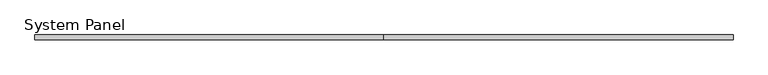
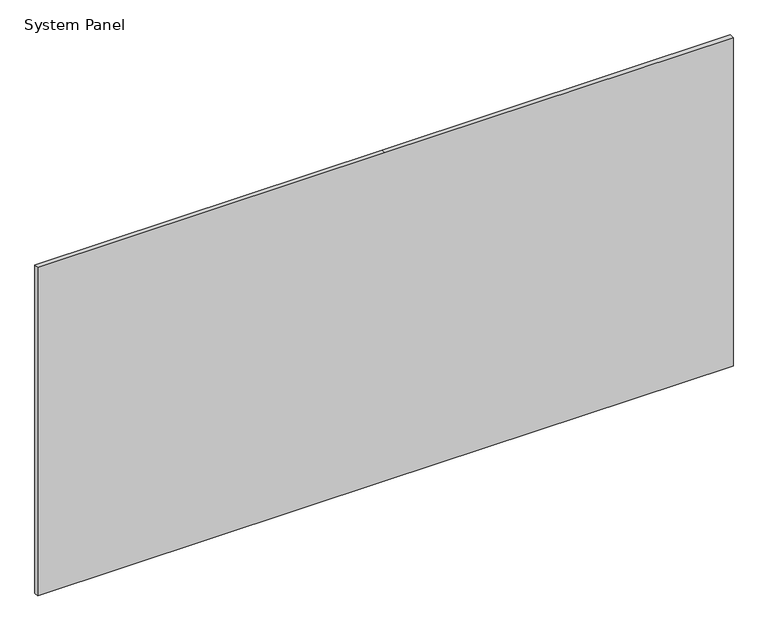
"""IFC4 building model written with IfcOpenShell, lengths in millimetres: plate geometry, System Panel."""

from ifc_helpers import new_model, si_unit, frame, origin, place, context, project, spatial, polyline, outline, extrude, source, transform, mapped, element, save


def system_panel_c1ab0f92(model_context):
    return source(origin(), model_context, "Body", "SweptSolid", [
        extrude(outline(polyline([(0.0, -1193.75), (0.0, -1.25), (0.0, 1193.75), (1192.5, 1193.75), (1192.5, -1.25), (1192.5, -1193.75), (0.0, -1193.75)])), frame((0.0, -8.0, 0.0), z_axis=(0.0, 1.0, 0.0), x_axis=(0.0, 0.0, 1.0)), (0.0, 0.0, 1.0), 16.0),
    ])


if __name__ == "__main__":
    model = new_model("IFC4")
    model_context = context("Model", 3, world=origin())
    ifc_project = project(units=[si_unit("LENGTHUNIT", "METRE", prefix="MILLI")], contexts=[model_context])
    site = spatial("IfcSite", under=ifc_project)
    building = spatial("IfcBuilding", under=site)
    placement = place(None, origin())
    system_panel_shape = system_panel_c1ab0f92(model_context)
    element("IfcPlate", 1, ObjectType="System Panel", at=placement, inside=building, context=model_context, shape_type="MappedRepresentation", body=[
        mapped(system_panel_shape, transform((0.0, 0.0, 0.0), x_axis=(1.0, 0.0, 0.0), y_axis=(0.0, 1.0, 0.0), z_axis=(0.0, 0.0, 1.0))),
    ])
    save(model, "model.ifc")
